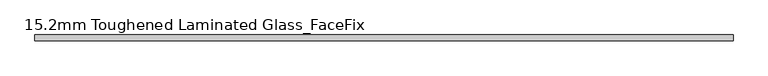
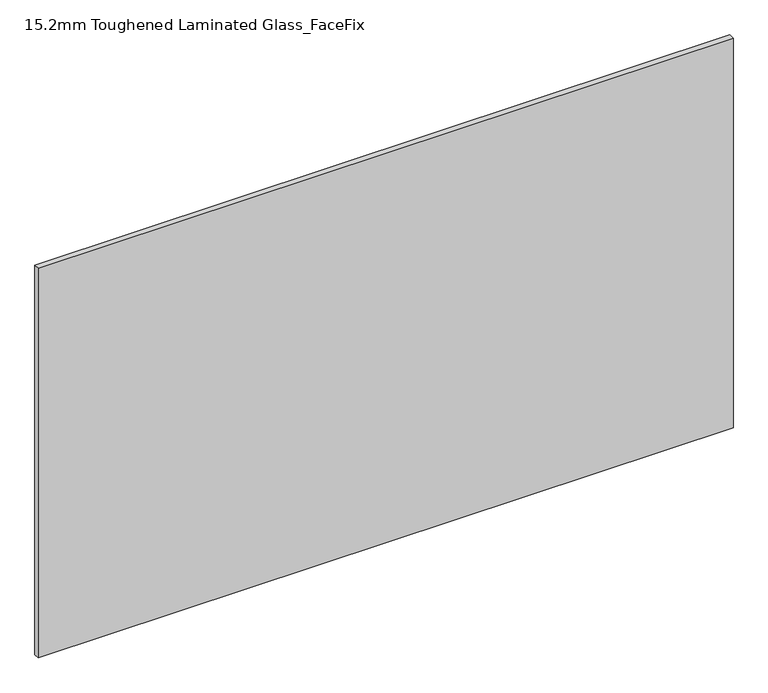
"""IFC4 building model written with IfcOpenShell, lengths in millimetres: plate geometry, 15.2mm Toughened Laminated Glass_FaceFix."""

from ifc_helpers import new_model, si_unit, origin, origin_with_axes, place, context, project, spatial, polyline, outline, extrude, source, transform, mapped, element, save


def plate_15_2mm_toughened_laminated_glass_facefix_b94c540d(model_context):
    return source(origin(), model_context, "Body", "SweptSolid", [
        extrude(outline(polyline([(945.0000001, -24.4), (945.0000001, -39.6), (-945.0000001, -39.6), (-945.0000001, -24.4), (945.0000001, -24.4)])), origin_with_axes(), (0.0, 0.0, 1.0), 1120.0),
    ])


if __name__ == "__main__":
    model = new_model("IFC4")
    model_context = context("Model", 3, world=origin())
    ifc_project = project(units=[si_unit("LENGTHUNIT", "METRE", prefix="MILLI")], contexts=[model_context])
    site = spatial("IfcSite", under=ifc_project)
    building = spatial("IfcBuilding", under=site)
    placement = place(None, origin())
    plate_15_2mm_toughened_laminated_glass_facefix_shape = plate_15_2mm_toughened_laminated_glass_facefix_b94c540d(model_context)
    element("IfcPlate", 1, ObjectType="15.2mm Toughened Laminated Glass_FaceFix", at=placement, inside=building, context=model_context, shape_type="MappedRepresentation", body=[
        mapped(plate_15_2mm_toughened_laminated_glass_facefix_shape, transform((0.0, 0.0, 0.0), x_axis=(1.0, 0.0, 0.0), y_axis=(0.0, 1.0, 0.0), z_axis=(0.0, 0.0, 1.0))),
    ])
    save(model, "model.ifc")
